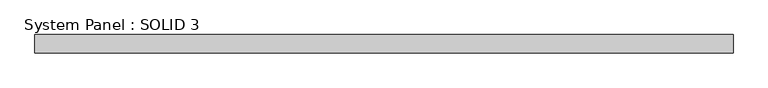
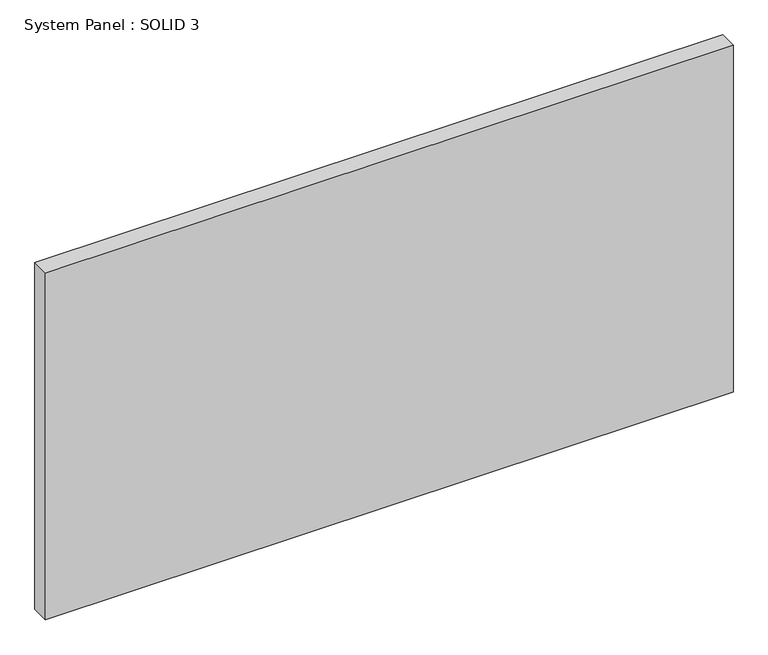
"""IFC4 building model written with IfcOpenShell, lengths in millimetres: plate geometry, System Panel : SOLID 3."""

from ifc_helpers import new_model, si_unit, origin, origin_with_axes, place, context, project, spatial, polyline, outline, extrude, source, transform, mapped, element, save


def system_panel_solid_3_5b83e72a(model_context):
    return source(origin(), model_context, "Body", "SweptSolid", [
        extrude(outline(polyline([(1507.5, 80.0), (-1507.5, 80.0), (-1507.5, 160.0), (1507.5, 160.0), (1507.5, 80.0)])), origin_with_axes(), (0.0, 0.0, 1.0), 1609.0),
    ])


if __name__ == "__main__":
    model = new_model("IFC4")
    model_context = context("Model", 3, world=origin())
    ifc_project = project(units=[si_unit("LENGTHUNIT", "METRE", prefix="MILLI")], contexts=[model_context])
    site = spatial("IfcSite", under=ifc_project)
    building = spatial("IfcBuilding", under=site)
    placement = place(None, origin())
    system_panel_solid_3_shape = system_panel_solid_3_5b83e72a(model_context)
    element("IfcPlate", 1, ObjectType="System Panel : SOLID 3", at=placement, inside=building, context=model_context, shape_type="MappedRepresentation", body=[
        mapped(system_panel_solid_3_shape, transform((0.0, 0.0, 0.0), x_axis=(1.0, 0.0, 0.0), y_axis=(0.0, 1.0, 0.0), z_axis=(0.0, 0.0, 1.0))),
    ])
    save(model, "model.ifc")
